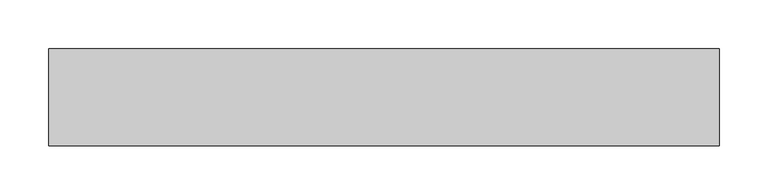
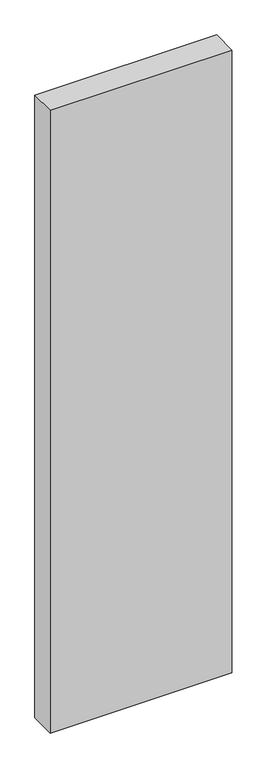
"""IFC4 building model written with IfcOpenShell, lengths in millimetres: proxy geometry."""

from ifc_helpers import new_model, si_unit, frame, origin, place, context, project, spatial, polyline, outline, extrude, source, transform, mapped, element, save


def generic_models_f5b08656(model_context):
    return source(origin(), model_context, "Body", "SweptSolid", [
        extrude(outline(polyline([(690.0, 100.0), (690.0, 0.0), (0.0, 0.0), (0.0, 100.0), (690.0, 100.0)])), frame((0.0, 0.0, -2500.0), z_axis=(0.0, 0.0, 1.0), x_axis=(1.0, 0.0, 0.0)), (0.0, 0.0, 1.0), 2500.0),
    ])


if __name__ == "__main__":
    model = new_model("IFC4")
    model_context = context("Model", 3, world=origin())
    ifc_project = project(units=[si_unit("LENGTHUNIT", "METRE", prefix="MILLI")], contexts=[model_context])
    site = spatial("IfcSite", under=ifc_project)
    building = spatial("IfcBuilding", under=site)
    placement = place(None, origin())
    generic_models_shape = generic_models_f5b08656(model_context)
    element("IfcBuildingElementProxy", 1, Name="Generic Models", at=placement, inside=building, context=model_context, shape_type="MappedRepresentation", body=[
        mapped(generic_models_shape, transform((0.0, 0.0, 0.0), x_axis=(1.0, 0.0, 0.0), y_axis=(0.0, 1.0, 0.0), z_axis=(0.0, 0.0, 1.0))),
    ])
    save(model, "model.ifc")
